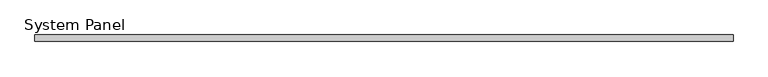
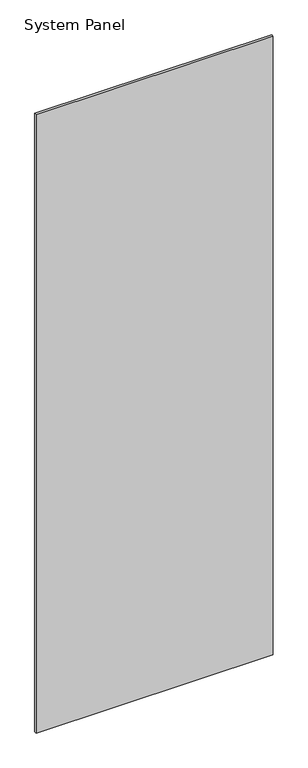
"""IFC4 building model written with IfcOpenShell, lengths in millimetres: plate geometry, System Panel."""

import ifcopenshell
import ifcopenshell.guid

model = None  # the IFC model being written
_history = None  # IfcOwnerHistory: only IFC2X3 demands one
_inside = {}  # id of a spatial element -> (the spatial element, [elements in it])
_under = {}  # id of a project, library or spatial element -> (it, [spatial elements below it])
_declared = {}  # id of a project -> (the project, [libraries it declares])
_typed = {}  # id of a type object -> (the type object, [elements of that type])
_made_of = {}  # id of a material, layer set ... -> (it, [elements and type objects made of it])


def new_model(schema):
    """Start an empty IFC model of exactly this schema.

    Asked for "IFC4X3", IfcOpenShell would pick the latest addendum, in which some entities
    have other attributes; the version numbers below select the first issue.
    IFC2X3 requires an IfcOwnerHistory on every rooted entity: one is made here for all.
    """
    global model, _history
    if schema == "IFC4X3":
        model = ifcopenshell.file(schema_version=(4, 3, 0, 0))
    else:
        model = ifcopenshell.file(schema=schema)
    _inside.clear()
    _under.clear()
    _declared.clear()
    _typed.clear()
    _made_of.clear()
    _history = None
    if model.schema == "IFC2X3":
        org = make("IfcOrganization", Name="unknown")
        user = make(
            "IfcPersonAndOrganization",
            ThePerson=make("IfcPerson", FamilyName="unknown"),
            TheOrganization=org,
        )
        app = make(
            "IfcApplication",
            ApplicationDeveloper=org,
            Version="unknown",
            ApplicationFullName="unknown",
            ApplicationIdentifier="unknown",
        )
        _history = make(
            "IfcOwnerHistory",
            OwningUser=user,
            OwningApplication=app,
            ChangeAction="ADDED",
            CreationDate=0,
        )
    return model


def make(cls, **values):
    """One entity of the class cls with the attributes given. An attribute that is None is left unset."""
    return model.create_entity(
        cls, **{name: value for name, value in values.items() if value is not None}
    )


def rooted(cls, **values):
    """An entity with a GlobalId (a new one), such as an element, a storey or a relation."""
    return make(cls, GlobalId=ifcopenshell.guid.new(), OwnerHistory=_history, **values)


def si_unit(unit_type, name, prefix=None):
    """IfcSIUnit, for example si_unit("LENGTHUNIT", "METRE", prefix="MILLI")."""
    return make("IfcSIUnit", UnitType=unit_type, Prefix=prefix, Name=name)


def assignment(units):
    """IfcUnitAssignment: the units of a project."""
    return None if units is None else make("IfcUnitAssignment", Units=units)


def point(xyz):
    """IfcCartesianPoint."""
    return None if xyz is None else make("IfcCartesianPoint", Coordinates=xyz)


def direction(xyz):
    """IfcDirection."""
    return None if xyz is None else make("IfcDirection", DirectionRatios=xyz)


def frame(location, z_axis=None, x_axis=None):
    """IfcAxis2Placement3D, a coordinate frame: its origin and axes. An axis left out is left unset."""
    return make(
        "IfcAxis2Placement3D",
        Location=point(location),
        Axis=direction(z_axis),
        RefDirection=direction(x_axis),
    )


def origin():
    """The frame at (0, 0, 0) with its axes left unset."""
    return frame((0.0, 0.0, 0.0))


def origin_with_axes():
    """The frame at (0, 0, 0) with the z axis (0, 0, 1) and the x axis (1, 0, 0) written out."""
    return frame((0.0, 0.0, 0.0), z_axis=(0.0, 0.0, 1.0), x_axis=(1.0, 0.0, 0.0))


def place(relative_to, where):
    """IfcLocalPlacement: puts the frame where relative to a parent placement (None: the world)."""
    return make(
        "IfcLocalPlacement", PlacementRelTo=relative_to, RelativePlacement=where
    )


def context(
    kind, dimensions, precision=None, world=None, true_north=None, identifier=None
):
    """IfcGeometricRepresentationContext, for example the 3D "Model" context."""
    return make(
        "IfcGeometricRepresentationContext",
        ContextIdentifier=identifier,
        ContextType=kind,
        CoordinateSpaceDimension=dimensions,
        Precision=precision,
        WorldCoordinateSystem=world,
        TrueNorth=true_north,
    )


def project(units=None, contexts=None):
    """IfcProject with its units and contexts."""
    return rooted(
        "IfcProject",
        Name="project",
        RepresentationContexts=contexts,
        UnitsInContext=assignment(units),
    )


def spatial(cls, under=None, at=None, **own):
    """A site, building, storey or space (cls), placed at a placement, below another one or the project."""
    s = rooted(cls, ObjectPlacement=at, **own)
    if under is not None:
        _under.setdefault(under.id(), (under, []))[1].append(s)
    return s


def polyline(points):
    """IfcPolyline through the points."""
    return make("IfcPolyline", Points=[point(p) for p in points])


def outline(outer, holes=None, kind="AREA"):
    """IfcArbitraryClosedProfileDef: a profile drawn as a closed curve; with holes, ...WithVoids."""
    if holes is None:
        return make("IfcArbitraryClosedProfileDef", ProfileType=kind, OuterCurve=outer)
    return make(
        "IfcArbitraryProfileDefWithVoids",
        ProfileType=kind,
        OuterCurve=outer,
        InnerCurves=holes,
    )


def extrude(swept, where, along, depth):
    """IfcExtrudedAreaSolid: the profile swept, set in the frame where, extruded along a direction by depth."""
    return make(
        "IfcExtrudedAreaSolid",
        SweptArea=swept,
        Position=where,
        ExtrudedDirection=direction(along),
        Depth=depth,
    )


def shape(context_of_items, identifier, shape_type, items):
    """IfcShapeRepresentation: the items that make up one representation, for example the "Body"."""
    return make(
        "IfcShapeRepresentation",
        ContextOfItems=context_of_items,
        RepresentationIdentifier=identifier,
        RepresentationType=shape_type,
        Items=items,
    )


def source(mapping_origin, context_of_items, identifier, shape_type, items):
    """IfcRepresentationMap: a shape defined once, which mapped items show again and again."""
    return make(
        "IfcRepresentationMap",
        MappingOrigin=mapping_origin,
        MappedRepresentation=shape(context_of_items, identifier, shape_type, items),
    )


def transform(
    local_origin,
    x_axis=None,
    y_axis=None,
    z_axis=None,
    scale=None,
    scale2=None,
    scale3=None,
    uniform=True,
):
    """IfcCartesianTransformationOperator3D, or its non-uniform kind. x_axis, y_axis, z_axis: its Axis1, 2, 3."""
    if uniform:
        return make(
            "IfcCartesianTransformationOperator3D",
            Axis1=direction(x_axis),
            Axis2=direction(y_axis),
            LocalOrigin=point(local_origin),
            Scale=scale,
            Axis3=direction(z_axis),
        )
    return make(
        "IfcCartesianTransformationOperator3DnonUniform",
        Axis1=direction(x_axis),
        Axis2=direction(y_axis),
        LocalOrigin=point(local_origin),
        Scale=scale,
        Axis3=direction(z_axis),
        Scale2=scale2,
        Scale3=scale3,
    )


def mapped(mapping_source, mapping_target):
    """IfcMappedItem: shows the shape of a source again, moved by a transform."""
    return make(
        "IfcMappedItem", MappingSource=mapping_source, MappingTarget=mapping_target
    )


def made_of(thing, what):
    """Note that an element or type object is made of a material, layer set ...; save() writes the relation."""
    if what is not None:
        _made_of.setdefault(what.id(), (what, []))[1].append(thing)
    return thing


def element(
    cls,
    number,
    at=None,
    inside=None,
    cuts=None,
    type_object=None,
    material=None,
    context=None,
    identifier="Body",
    shape_type=None,
    held_by="IfcProductDefinitionShape",
    body=None,
    shapes=None,
    **own,
):
    """One element of the class cls, such as IfcWall. Its Tag is "e" and its number.

    at: its placement. inside: the storey or other place that contains it. cuts: it is an
    opening in that element (IfcRelVoidsElement). A single representation is given by context,
    identifier, shape_type and body (its items); several are given by shapes. held_by: the class
    of the entity that holds the representations. save() writes the other relations.
    """
    e = rooted(cls, Tag="e%d" % number, ObjectPlacement=at, **own)
    if body is not None:
        shapes = [shape(context, identifier, shape_type, body)]
    if shapes is not None:
        e.Representation = make(held_by, Representations=shapes)
    if inside is not None:
        _inside.setdefault(inside.id(), (inside, []))[1].append(e)
    if cuts is not None:
        rooted(
            "IfcRelVoidsElement", RelatingBuildingElement=cuts, RelatedOpeningElement=e
        )
    if type_object is not None:
        _typed.setdefault(type_object.id(), (type_object, []))[1].append(e)
    return made_of(e, material)


def aggregate(whole, parts):
    """IfcRelAggregates: a whole, such as a stair, and the parts it consists of."""
    return rooted("IfcRelAggregates", RelatingObject=whole, RelatedObjects=parts)


def save(model, path):
    """Write the relations noted so far, then the file.

    IfcRelAggregates (storeys below a building ...), IfcRelContainedInSpatialStructure (elements
    in a storey), IfcRelDefinesByType, IfcRelAssociatesMaterial and IfcRelDeclares: one each for
    every whole, place, type object, material and project.
    """
    for whole, parts in _under.values():
        aggregate(whole, parts)
    for where, things in _inside.values():
        rooted(
            "IfcRelContainedInSpatialStructure",
            RelatedElements=things,
            RelatingStructure=where,
        )
    for kind, things in _typed.values():
        rooted("IfcRelDefinesByType", RelatedObjects=things, RelatingType=kind)
    for what, things in _made_of.values():
        rooted("IfcRelAssociatesMaterial", RelatedObjects=things, RelatingMaterial=what)
    for by, libraries in _declared.values():
        rooted("IfcRelDeclares", RelatingContext=by, RelatedDefinitions=libraries)
    model.write(path)


def system_panel_c6cb6497(model_context):
    return source(origin(), model_context, "Body", "SweptSolid", [
        extrude(outline(polyline([(548.25, -5.0), (-548.25, -5.0), (-548.25, 5.0), (548.25, 5.0), (548.25, -5.0)])), origin_with_axes(), (0.0, 0.0, 1.0), 3021.3997048),
    ])


if __name__ == "__main__":
    model = new_model("IFC4")
    model_context = context("Model", 3, world=origin())
    ifc_project = project(units=[si_unit("LENGTHUNIT", "METRE", prefix="MILLI")], contexts=[model_context])
    site = spatial("IfcSite", under=ifc_project)
    building = spatial("IfcBuilding", under=site)
    placement = place(None, origin())
    system_panel_shape = system_panel_c6cb6497(model_context)
    element("IfcPlate", 1, ObjectType="System Panel", at=placement, inside=building, context=model_context, shape_type="MappedRepresentation", body=[
        mapped(system_panel_shape, transform((0.0, 0.0, 0.0), x_axis=(1.0, 0.0, 0.0), y_axis=(0.0, 1.0, 0.0), z_axis=(0.0, 0.0, 1.0))),
    ])
    save(model, "model.ifc")
